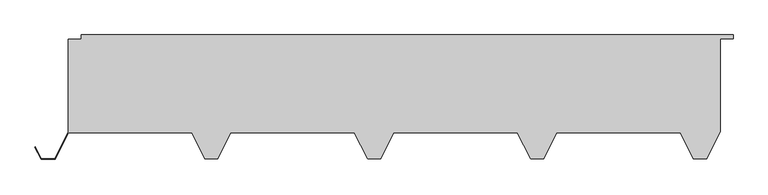
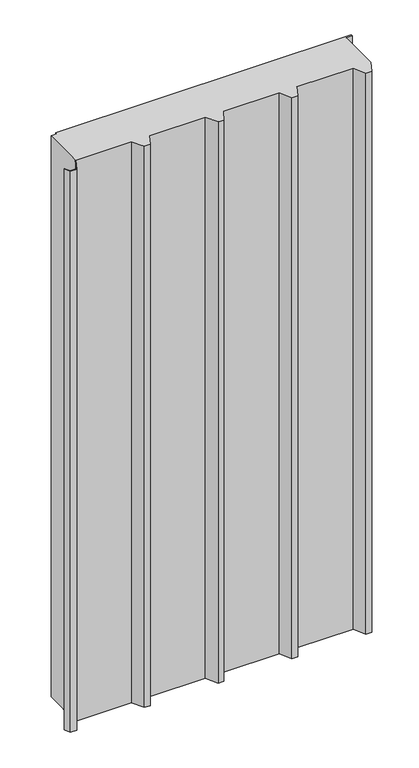
"""IFC4 building model written with IfcOpenShell, lengths in millimetres: plate geometry."""

from ifc_helpers import new_model, si_unit, origin, origin_with_axes, place, context, project, spatial, polyline, outline, extrude, source, transform, mapped, element, save


def plate_083fd323(model_context):
    return source(origin(), model_context, "Body", "SweptSolid", [
        extrude(outline(polyline([(479.2444272, -190.0), (459.2444272, -190.0), (439.2444272, -150.0), (249.2444272, -150.0), (229.2444272, -190.0), (209.2444272, -190.0), (189.2444272, -150.0), (-0.7555728, -150.0), (-20.7555728, -190.0), (-40.7555728, -190.0), (-60.7555728, -150.0), (-250.7555728, -150.0), (-270.7555728, -190.0), (-290.7555728, -190.0), (-310.7555728, -150.0), (-499.5055728, -150.0), (-520.0055728, -191.0), (-541.5055728, -191.0), (-550.9818107, -172.0475242), (-550.266269, -171.6897533), (-541.0111456, -190.2), (-520.5, -190.2), (-500.0, -149.2), (-500.0, -6.496736), (-480.0, -6.496736), (-480.0, 0.0), (520.0, 0.0), (520.0, -6.0), (500.0, -6.0), (500.0, -148.4888544), (479.2444272, -190.0)])), origin_with_axes(), (0.0, 0.0, 1.0), 2007.6396751),
    ])


if __name__ == "__main__":
    model = new_model("IFC4")
    model_context = context("Model", 3, world=origin())
    ifc_project = project(units=[si_unit("LENGTHUNIT", "METRE", prefix="MILLI")], contexts=[model_context])
    site = spatial("IfcSite", under=ifc_project)
    building = spatial("IfcBuilding", under=site)
    placement = place(None, origin())
    plate_shape = plate_083fd323(model_context)
    element("IfcPlate", 1, at=placement, inside=building, context=model_context, shape_type="MappedRepresentation", body=[
        mapped(plate_shape, transform((0.0, 0.0, 0.0), x_axis=(1.0, 0.0, 0.0), y_axis=(0.0, 1.0, 0.0), z_axis=(0.0, 0.0, 1.0))),
    ])
    save(model, "model.ifc")
